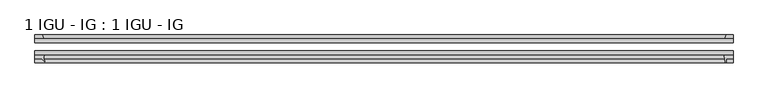
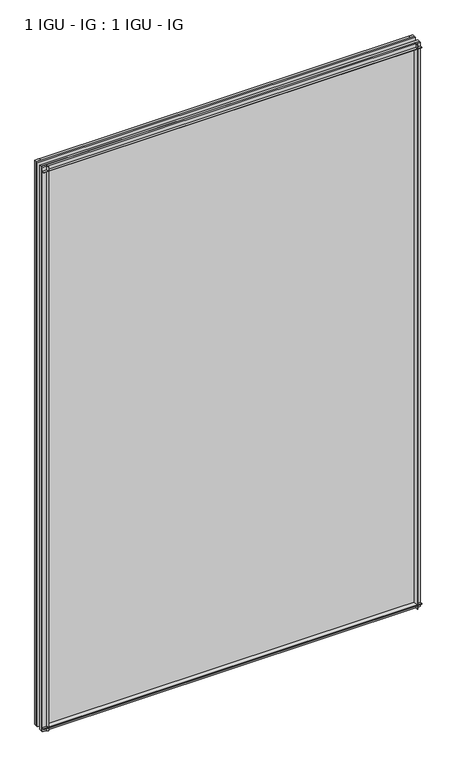
"""IFC4 building model written with IfcOpenShell, lengths in millimetres: plate geometry, 1 IGU - IG : 1 IGU - IG."""

from ifc_helpers import new_model, si_unit, point, frame, frame_2d, origin, place, context, project, spatial, polyline, circle_curve, trimmed, segment, composite_curve, outline, extrude, source, transform, mapped, element, save


def plate_1_igu_ig_1_igu_ig_ae1c8c16(model_context):
    return source(origin(), model_context, "Body", "SweptSolid", [
        extrude(outline(polyline([(538.1625, -31.75), (538.1625, -38.1), (-576.2625, -38.1), (-576.2625, -31.75), (538.1625, -31.75)])), frame((0.0, 0.0, -11.1125), z_axis=(0.0, 0.0, 1.0), x_axis=(1.0, 0.0, 0.0)), (0.0, 0.0, 1.0), 1755.775),
        extrude(outline(polyline([(-576.2625, -12.7), (538.1625, -12.7), (538.1625, -19.05), (-576.2625, -19.05), (-576.2625, -12.7)])), frame((0.0, 0.0, -11.1125), z_axis=(0.0, 0.0, 1.0), x_axis=(1.0, 0.0, 0.0)), (0.0, 0.0, 1.0), 1755.775),
        extrude(outline(polyline([(-562.2035601, -12.7), (-576.2625, -12.7), (-576.2625, -6.35), (-564.3088372, -6.35), (-562.2035601, -12.7)])), frame((0.0, 0.0, -11.1125), z_axis=(0.0, 0.0, 1.0), x_axis=(1.0, 0.0, 0.0)), (0.0, 0.0, 1.0), 1755.775),
        extrude(outline(composite_curve([segment(trimmed(circle_curve(frame_2d((-553.4114011, -42.5735189)), 8.7187667), [point((-560.895018, -38.1))], [point((-560.4113071, -47.7714232))], True, "CARTESIAN"), True, "CONTINUOUS"), segment(trimmed(circle_curve(frame_2d((-561.0230826, -48.225708)), 0.762), [point((-560.4113071, -47.7714232))], [point((-560.6892906, -48.9107094))], False, "CARTESIAN"), True, "CONTINUOUS"), segment(polyline([(-560.6892906, -48.9107094), (-565.15, -44.45), (-576.2625, -44.45), (-576.2625, -38.1), (-560.895018, -38.1)]), True, "CONTINUOUS")], self_intersect=False)), frame((0.0, 0.0, -11.1125), z_axis=(0.0, 0.0, 1.0), x_axis=(1.0, 0.0, 0.0)), (0.0, 0.0, 1.0), 1755.775),
        extrude(outline(polyline([(538.1625, -12.7), (524.9447229, -12.7), (527.05, -6.35), (538.1625, -6.35), (538.1625, -12.7)])), frame((0.0, 0.0, -11.1125), z_axis=(0.0, 0.0, 1.0), x_axis=(1.0, 0.0, 0.0)), (0.0, 0.0, 1.0), 1755.775),
        extrude(outline(composite_curve([segment(polyline([(522.8688207, -38.1), (538.1625, -38.1), (538.1625, -44.45), (527.05, -44.45), (527.05, -50.8), (526.1300991, -50.8)]), True, "CONTINUOUS"), segment(trimmed(circle_curve(frame_2d((526.1300991, -50.038)), 0.762), [point((526.1300991, -50.8))], [point((525.3700572, -50.0925922))], False, "CARTESIAN"), True, "CONTINUOUS"), segment(trimmed(circle_curve(frame_2d((479.6098044, -53.3794536)), 45.8781451), [point((525.3700572, -50.0925922))], [point((522.8688207, -38.1))], True, "CARTESIAN"), True, "CONTINUOUS")], self_intersect=False)), frame((0.0, 0.0, -11.1125), z_axis=(0.0, 0.0, 1.0), x_axis=(1.0, 0.0, 0.0)), (0.0, 0.0, 1.0), 1755.775),
        extrude(outline(polyline([(-12.7, -11.1125), (-12.7, 2.1052771), (-6.35, 0.0), (-6.35, -11.1125), (-12.7, -11.1125)])), frame((-576.2625, 0.0, 0.0), z_axis=(1.0, 0.0, 0.0), x_axis=(0.0, 1.0, 0.0)), (0.0, 0.0, 1.0), 1114.425),
        extrude(outline(composite_curve([segment(polyline([(-38.1, 4.1811793), (-38.1, -11.1125), (-44.45, -11.1125), (-44.45, 0.0), (-50.8, 0.0), (-50.8, 0.9199009)]), True, "CONTINUOUS"), segment(trimmed(circle_curve(frame_2d((-50.038, 0.9199009)), 0.762), [point((-50.8, 0.9199009))], [point((-50.0925922, 1.6799428))], False, "CARTESIAN"), True, "CONTINUOUS"), segment(trimmed(circle_curve(frame_2d((-53.3794536, 47.4401956)), 45.8781451), [point((-50.0925922, 1.6799428))], [point((-38.1, 4.1811793))], True, "CARTESIAN"), True, "CONTINUOUS")], self_intersect=False)), frame((-576.2625, 0.0, 0.0), z_axis=(1.0, 0.0, 0.0), x_axis=(0.0, 1.0, 0.0)), (0.0, 0.0, 1.0), 1114.425),
        extrude(outline(polyline([(-6.35, 1733.55), (-12.7, 1731.4447229), (-12.7, 1744.6625), (-6.35, 1744.6625), (-6.35, 1733.55)])), frame((-576.2625, 0.0, 0.0), z_axis=(1.0, 0.0, 0.0), x_axis=(0.0, 1.0, 0.0)), (0.0, 0.0, 1.0), 1114.425),
        extrude(outline(composite_curve([segment(polyline([(-38.1, 1744.6625), (-38.1, 1729.3688207)]), True, "CONTINUOUS"), segment(trimmed(circle_curve(frame_2d((-53.3794536, 1686.1098044)), 45.8781451), [point((-38.1, 1729.3688207))], [point((-50.0925922, 1731.8700572))], True, "CARTESIAN"), True, "CONTINUOUS"), segment(trimmed(circle_curve(frame_2d((-50.038, 1732.6300991)), 0.762), [point((-50.0925922, 1731.8700572))], [point((-50.8, 1732.6300991))], False, "CARTESIAN"), True, "CONTINUOUS"), segment(polyline([(-50.8, 1732.6300991), (-50.8, 1733.55), (-44.45, 1733.55), (-44.45, 1744.6625), (-38.1, 1744.6625)]), True, "CONTINUOUS")], self_intersect=False)), frame((-576.2625, 0.0, 0.0), z_axis=(1.0, 0.0, 0.0), x_axis=(0.0, 1.0, 0.0)), (0.0, 0.0, 1.0), 1114.425),
    ])


if __name__ == "__main__":
    model = new_model("IFC4")
    model_context = context("Model", 3, world=origin())
    ifc_project = project(units=[si_unit("LENGTHUNIT", "METRE", prefix="MILLI")], contexts=[model_context])
    site = spatial("IfcSite", under=ifc_project)
    building = spatial("IfcBuilding", under=site)
    placement = place(None, origin())
    plate_1_igu_ig_1_igu_ig_shape = plate_1_igu_ig_1_igu_ig_ae1c8c16(model_context)
    element("IfcPlate", 1, ObjectType="1 IGU - IG : 1 IGU - IG", at=placement, inside=building, context=model_context, shape_type="MappedRepresentation", body=[
        mapped(plate_1_igu_ig_1_igu_ig_shape, transform((0.0, 0.0, 0.0), x_axis=(1.0, 0.0, 0.0), y_axis=(0.0, 1.0, 0.0), z_axis=(0.0, 0.0, 1.0))),
    ])
    save(model, "model.ifc")
